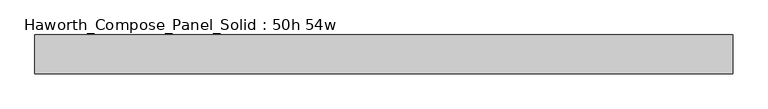
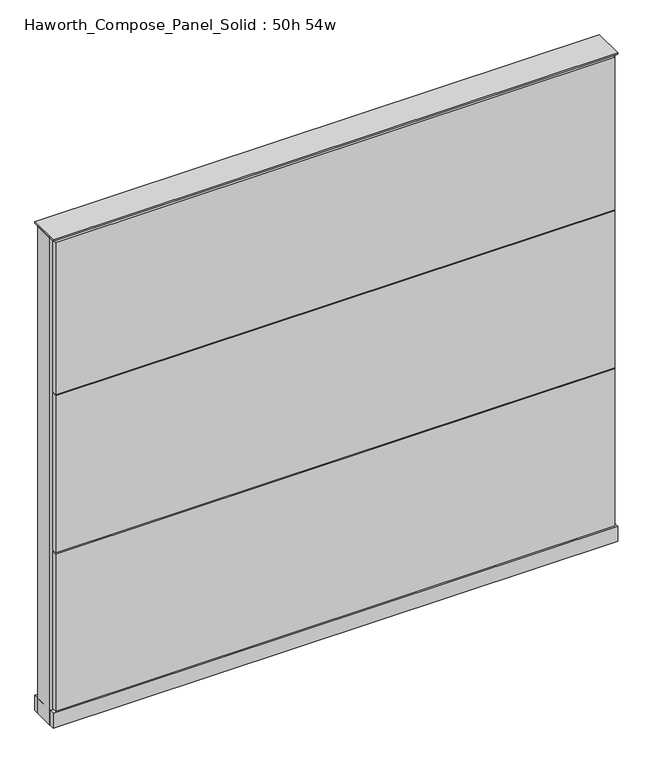
"""IFC4 building model written with IfcOpenShell, lengths in millimetres: furniture geometry, Haworth_Compose_Panel_Solid : 50h 54w."""

from ifc_helpers import new_model, si_unit, point, frame, frame_2d, origin, origin_with_axes, place, context, project, spatial, polyline, circle_curve, trimmed, segment, composite_curve, outline, extrude, source, transform, mapped, element, save


def haworth_compose_panel_solid_50h_54w_7e9cdb6e(model_context):
    return source(origin(), model_context, "Body", "SweptSolid", [
        extrude(outline(composite_curve([segment(trimmed(circle_curve(frame_2d((-607.1597098, 0.0)), 12.7), [point((-619.8597098, 0.0))], [point((-594.4597098, 0.0))], False, "CARTESIAN"), True, "CONTINUOUS"), segment(trimmed(circle_curve(frame_2d((-607.1597098, 0.0)), 12.7), [point((-594.4597098, 0.0))], [point((-619.8597098, 0.0))], False, "CARTESIAN"), True, "CONTINUOUS")], self_intersect=False)), origin_with_axes(), (0.0, 0.0, 1.0), 12.7),
        extrude(outline(composite_curve([segment(trimmed(circle_curve(frame_2d((612.0402902, 0.0)), 12.7), [point((599.3402902, 0.0))], [point((624.7402902, 0.0))], False, "CARTESIAN"), True, "CONTINUOUS"), segment(trimmed(circle_curve(frame_2d((612.0402902, 0.0)), 12.7), [point((624.7402902, 0.0))], [point((599.3402902, 0.0))], False, "CARTESIAN"), True, "CONTINUOUS")], self_intersect=False)), origin_with_axes(), (0.0, 0.0, 1.0), 12.7),
        extrude(outline(polyline([(681.8902902, 38.1), (681.8902902, 25.4), (-677.0097098, 25.4), (-677.0097098, 38.1), (681.8902902, 38.1)])), frame((0.0, 0.0, 866.775), z_axis=(0.0, 0.0, 1.0), x_axis=(1.0, 0.0, 0.0)), (0.0, 0.0, 1.0), 390.525),
        extrude(outline(polyline([(681.8902902, 38.1), (681.8902902, 25.4), (-677.0097098, 25.4), (-677.0097098, 38.1), (681.8902902, 38.1)])), frame((0.0, 0.0, 460.375), z_axis=(0.0, 0.0, 1.0), x_axis=(1.0, 0.0, 0.0)), (0.0, 0.0, 1.0), 403.225),
        extrude(outline(polyline([(681.8902902, 38.1), (681.8902902, 25.4), (-677.0097098, 25.4), (-677.0097098, 38.1), (681.8902902, 38.1)])), frame((0.0, 0.0, 53.975), z_axis=(0.0, 0.0, 1.0), x_axis=(1.0, 0.0, 0.0)), (0.0, 0.0, 1.0), 403.225),
        extrude(outline(polyline([(681.8902902, -38.1), (-677.0097098, -38.1), (-677.0097098, -25.4), (681.8902902, -25.4), (681.8902902, -38.1)])), frame((0.0, 0.0, 866.775), z_axis=(0.0, 0.0, 1.0), x_axis=(1.0, 0.0, 0.0)), (0.0, 0.0, 1.0), 390.525),
        extrude(outline(polyline([(681.8902902, -38.1), (-677.0097098, -38.1), (-677.0097098, -25.4), (681.8902902, -25.4), (681.8902902, -38.1)])), frame((0.0, 0.0, 460.375), z_axis=(0.0, 0.0, 1.0), x_axis=(1.0, 0.0, 0.0)), (0.0, 0.0, 1.0), 403.225),
        extrude(outline(polyline([(681.8902902, -38.1), (-677.0097098, -38.1), (-677.0097098, -25.4), (681.8902902, -25.4), (681.8902902, -38.1)])), frame((0.0, 0.0, 53.975), z_axis=(0.0, 0.0, 1.0), x_axis=(1.0, 0.0, 0.0)), (0.0, 0.0, 1.0), 403.225),
        extrude(outline(polyline([(688.2402902, 25.4), (688.2402902, -25.4), (-683.3597098, -25.4), (-683.3597098, 25.4), (688.2402902, 25.4)])), frame((0.0, 0.0, 12.7), z_axis=(0.0, 0.0, 1.0), x_axis=(1.0, 0.0, 0.0)), (0.0, 0.0, 1.0), 1250.95),
        extrude(outline(polyline([(-683.3597098, -38.1), (-683.3597098, 38.1), (688.2402902, 38.1), (688.2402902, -38.1), (-683.3597098, -38.1)])), frame((0.0, 0.0, 12.7), z_axis=(0.0, 0.0, 1.0), x_axis=(1.0, 0.0, 0.0)), (0.0, 0.0, 1.0), 38.1),
        extrude(outline(polyline([(-683.3597098, -38.1), (-683.3597098, 38.1), (688.2402902, 38.1), (688.2402902, -38.1), (-683.3597098, -38.1)])), frame((0.0, 0.0, 1263.65), z_axis=(0.0, 0.0, 1.0), x_axis=(1.0, 0.0, 0.0)), (0.0, 0.0, 1.0), 3.175),
    ])


if __name__ == "__main__":
    model = new_model("IFC4")
    model_context = context("Model", 3, world=origin())
    ifc_project = project(units=[si_unit("LENGTHUNIT", "METRE", prefix="MILLI")], contexts=[model_context])
    site = spatial("IfcSite", under=ifc_project)
    building = spatial("IfcBuilding", under=site)
    placement = place(None, origin())
    haworth_compose_panel_solid_50h_54w_shape = haworth_compose_panel_solid_50h_54w_7e9cdb6e(model_context)
    element("IfcFurniture", 1, ObjectType="Haworth_Compose_Panel_Solid : 50h 54w", at=placement, inside=building, context=model_context, shape_type="MappedRepresentation", body=[
        mapped(haworth_compose_panel_solid_50h_54w_shape, transform((0.0, 0.0, 0.0), x_axis=(1.0, 0.0, 0.0), y_axis=(0.0, 1.0, 0.0), z_axis=(0.0, 0.0, 1.0))),
    ])
    save(model, "model.ifc")
